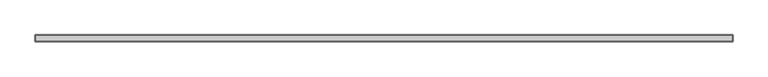
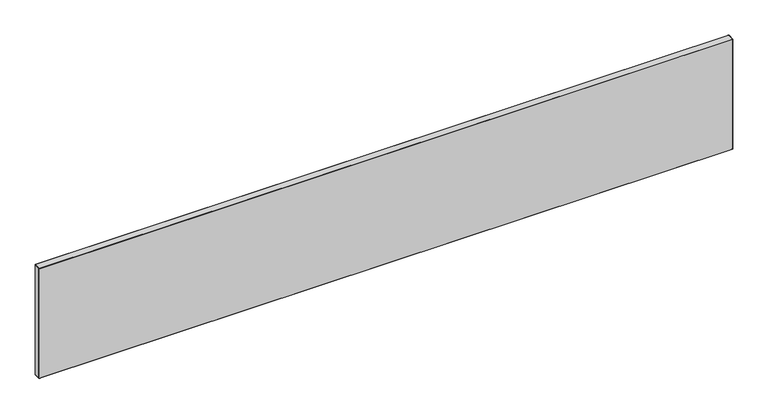
"""IFC4 building model written with IfcOpenShell, lengths in millimetres: furniture geometry."""

from ifc_helpers import new_model, si_unit, origin, place, context, project, spatial, triangles, source, transform, mapped, element, save


def furniture_74abd7ae(model_context):
    return source(origin(), model_context, "Body", "Tessellation", [
        triangles([(2437.6379826, -0.762, 409.575), (2437.6379826, 0.0, 408.8129826), (0.762, 0.0, 408.8129826), (0.762, -0.762, 409.575), (0.762, -24.6379992, 409.575), (0.0, -0.762, 408.8129826), (0.0, -24.6379992, 408.8129826), (0.762, -25.4000008, 408.8129826), (2437.6379826, -25.4000008, 408.8129826), (2437.6379826, -24.6379992, 409.575), (0.762, -25.4000008, 0.762), (2437.6379826, -25.4000008, 0.762), (0.0, -24.6379992, 0.762), (0.0, -0.762, 0.762), (2437.6379826, 0.0, 0.762), (0.762, 0.0, 0.762), (2438.4, -0.762, 0.762), (2438.4, -0.762, 408.8129826), (2438.4, -24.6379992, 408.8129826), (2438.4, -24.6379992, 0.762), (2437.6379826, -24.6379992, 0.0), (2437.6379826, -0.762, 0.0), (0.762, -24.6379992, 0.0), (0.762, -0.762, 0.0)], [[1, 2, 3], [1, 3, 4], [5, 4, 6], [5, 6, 7], [5, 8, 9], [5, 9, 10], [11, 12, 9], [11, 9, 8], [13, 7, 6], [13, 6, 14], [15, 16, 3], [15, 3, 2], [17, 18, 19], [17, 19, 20], [21, 22, 17], [21, 17, 20], [21, 12, 11], [21, 11, 23], [24, 23, 13], [24, 13, 14], [24, 16, 15], [24, 15, 22], [19, 18, 1], [19, 1, 10], [10, 1, 4], [10, 4, 5], [3, 6, 4], [14, 6, 3], [14, 3, 16], [14, 16, 24], [23, 11, 13], [13, 11, 8], [13, 8, 7], [5, 7, 8], [15, 17, 22], [17, 15, 2], [17, 2, 18], [1, 18, 2], [21, 20, 12], [12, 20, 19], [12, 19, 9], [10, 9, 19]], closed=False),
    ])


if __name__ == "__main__":
    model = new_model("IFC4")
    model_context = context("Model", 3, world=origin())
    ifc_project = project(units=[si_unit("LENGTHUNIT", "METRE", prefix="MILLI")], contexts=[model_context])
    site = spatial("IfcSite", under=ifc_project)
    building = spatial("IfcBuilding", under=site)
    placement = place(None, origin())
    furniture_shape = furniture_74abd7ae(model_context)
    element("IfcFurniture", 1, at=placement, inside=building, context=model_context, shape_type="MappedRepresentation", body=[
        mapped(furniture_shape, transform((0.0, 0.0, 0.0), x_axis=(1.0, 0.0, 0.0), y_axis=(0.0, 1.0, 0.0), z_axis=(0.0, 0.0, 1.0))),
    ])
    save(model, "model.ifc")
